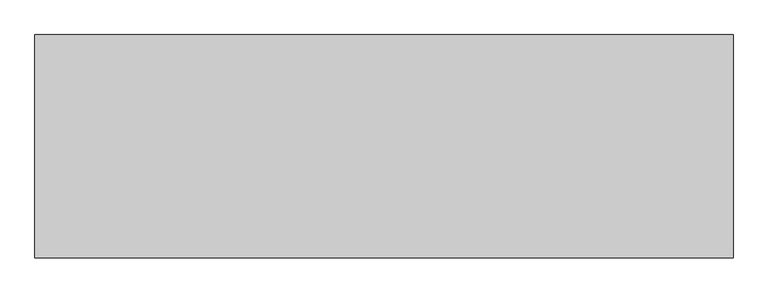
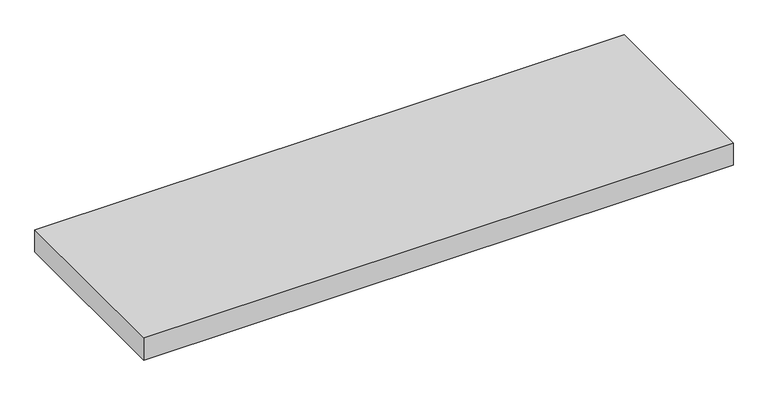
"""IFC4 building model written with IfcOpenShell, lengths in millimetres: proxy geometry."""

import ifcopenshell
import ifcopenshell.guid

model = None  # the IFC model being written
_history = None  # IfcOwnerHistory: only IFC2X3 demands one
_inside = {}  # id of a spatial element -> (the spatial element, [elements in it])
_under = {}  # id of a project, library or spatial element -> (it, [spatial elements below it])
_declared = {}  # id of a project -> (the project, [libraries it declares])
_typed = {}  # id of a type object -> (the type object, [elements of that type])
_made_of = {}  # id of a material, layer set ... -> (it, [elements and type objects made of it])


def new_model(schema):
    """Start an empty IFC model of exactly this schema.

    Asked for "IFC4X3", IfcOpenShell would pick the latest addendum, in which some entities
    have other attributes; the version numbers below select the first issue.
    IFC2X3 requires an IfcOwnerHistory on every rooted entity: one is made here for all.
    """
    global model, _history
    if schema == "IFC4X3":
        model = ifcopenshell.file(schema_version=(4, 3, 0, 0))
    else:
        model = ifcopenshell.file(schema=schema)
    _inside.clear()
    _under.clear()
    _declared.clear()
    _typed.clear()
    _made_of.clear()
    _history = None
    if model.schema == "IFC2X3":
        org = make("IfcOrganization", Name="unknown")
        user = make(
            "IfcPersonAndOrganization",
            ThePerson=make("IfcPerson", FamilyName="unknown"),
            TheOrganization=org,
        )
        app = make(
            "IfcApplication",
            ApplicationDeveloper=org,
            Version="unknown",
            ApplicationFullName="unknown",
            ApplicationIdentifier="unknown",
        )
        _history = make(
            "IfcOwnerHistory",
            OwningUser=user,
            OwningApplication=app,
            ChangeAction="ADDED",
            CreationDate=0,
        )
    return model


def make(cls, **values):
    """One entity of the class cls with the attributes given. An attribute that is None is left unset."""
    return model.create_entity(
        cls, **{name: value for name, value in values.items() if value is not None}
    )


def rooted(cls, **values):
    """An entity with a GlobalId (a new one), such as an element, a storey or a relation."""
    return make(cls, GlobalId=ifcopenshell.guid.new(), OwnerHistory=_history, **values)


def si_unit(unit_type, name, prefix=None):
    """IfcSIUnit, for example si_unit("LENGTHUNIT", "METRE", prefix="MILLI")."""
    return make("IfcSIUnit", UnitType=unit_type, Prefix=prefix, Name=name)


def assignment(units):
    """IfcUnitAssignment: the units of a project."""
    return None if units is None else make("IfcUnitAssignment", Units=units)


def point(xyz):
    """IfcCartesianPoint."""
    return None if xyz is None else make("IfcCartesianPoint", Coordinates=xyz)


def direction(xyz):
    """IfcDirection."""
    return None if xyz is None else make("IfcDirection", DirectionRatios=xyz)


def frame(location, z_axis=None, x_axis=None):
    """IfcAxis2Placement3D, a coordinate frame: its origin and axes. An axis left out is left unset."""
    return make(
        "IfcAxis2Placement3D",
        Location=point(location),
        Axis=direction(z_axis),
        RefDirection=direction(x_axis),
    )


def origin():
    """The frame at (0, 0, 0) with its axes left unset."""
    return frame((0.0, 0.0, 0.0))


def origin_with_axes():
    """The frame at (0, 0, 0) with the z axis (0, 0, 1) and the x axis (1, 0, 0) written out."""
    return frame((0.0, 0.0, 0.0), z_axis=(0.0, 0.0, 1.0), x_axis=(1.0, 0.0, 0.0))


def place(relative_to, where):
    """IfcLocalPlacement: puts the frame where relative to a parent placement (None: the world)."""
    return make(
        "IfcLocalPlacement", PlacementRelTo=relative_to, RelativePlacement=where
    )


def context(
    kind, dimensions, precision=None, world=None, true_north=None, identifier=None
):
    """IfcGeometricRepresentationContext, for example the 3D "Model" context."""
    return make(
        "IfcGeometricRepresentationContext",
        ContextIdentifier=identifier,
        ContextType=kind,
        CoordinateSpaceDimension=dimensions,
        Precision=precision,
        WorldCoordinateSystem=world,
        TrueNorth=true_north,
    )


def project(units=None, contexts=None):
    """IfcProject with its units and contexts."""
    return rooted(
        "IfcProject",
        Name="project",
        RepresentationContexts=contexts,
        UnitsInContext=assignment(units),
    )


def spatial(cls, under=None, at=None, **own):
    """A site, building, storey or space (cls), placed at a placement, below another one or the project."""
    s = rooted(cls, ObjectPlacement=at, **own)
    if under is not None:
        _under.setdefault(under.id(), (under, []))[1].append(s)
    return s


def polyline(points):
    """IfcPolyline through the points."""
    return make("IfcPolyline", Points=[point(p) for p in points])


def outline(outer, holes=None, kind="AREA"):
    """IfcArbitraryClosedProfileDef: a profile drawn as a closed curve; with holes, ...WithVoids."""
    if holes is None:
        return make("IfcArbitraryClosedProfileDef", ProfileType=kind, OuterCurve=outer)
    return make(
        "IfcArbitraryProfileDefWithVoids",
        ProfileType=kind,
        OuterCurve=outer,
        InnerCurves=holes,
    )


def extrude(swept, where, along, depth):
    """IfcExtrudedAreaSolid: the profile swept, set in the frame where, extruded along a direction by depth."""
    return make(
        "IfcExtrudedAreaSolid",
        SweptArea=swept,
        Position=where,
        ExtrudedDirection=direction(along),
        Depth=depth,
    )


def shape(context_of_items, identifier, shape_type, items):
    """IfcShapeRepresentation: the items that make up one representation, for example the "Body"."""
    return make(
        "IfcShapeRepresentation",
        ContextOfItems=context_of_items,
        RepresentationIdentifier=identifier,
        RepresentationType=shape_type,
        Items=items,
    )


def source(mapping_origin, context_of_items, identifier, shape_type, items):
    """IfcRepresentationMap: a shape defined once, which mapped items show again and again."""
    return make(
        "IfcRepresentationMap",
        MappingOrigin=mapping_origin,
        MappedRepresentation=shape(context_of_items, identifier, shape_type, items),
    )


def transform(
    local_origin,
    x_axis=None,
    y_axis=None,
    z_axis=None,
    scale=None,
    scale2=None,
    scale3=None,
    uniform=True,
):
    """IfcCartesianTransformationOperator3D, or its non-uniform kind. x_axis, y_axis, z_axis: its Axis1, 2, 3."""
    if uniform:
        return make(
            "IfcCartesianTransformationOperator3D",
            Axis1=direction(x_axis),
            Axis2=direction(y_axis),
            LocalOrigin=point(local_origin),
            Scale=scale,
            Axis3=direction(z_axis),
        )
    return make(
        "IfcCartesianTransformationOperator3DnonUniform",
        Axis1=direction(x_axis),
        Axis2=direction(y_axis),
        LocalOrigin=point(local_origin),
        Scale=scale,
        Axis3=direction(z_axis),
        Scale2=scale2,
        Scale3=scale3,
    )


def mapped(mapping_source, mapping_target):
    """IfcMappedItem: shows the shape of a source again, moved by a transform."""
    return make(
        "IfcMappedItem", MappingSource=mapping_source, MappingTarget=mapping_target
    )


def made_of(thing, what):
    """Note that an element or type object is made of a material, layer set ...; save() writes the relation."""
    if what is not None:
        _made_of.setdefault(what.id(), (what, []))[1].append(thing)
    return thing


def element(
    cls,
    number,
    at=None,
    inside=None,
    cuts=None,
    type_object=None,
    material=None,
    context=None,
    identifier="Body",
    shape_type=None,
    held_by="IfcProductDefinitionShape",
    body=None,
    shapes=None,
    **own,
):
    """One element of the class cls, such as IfcWall. Its Tag is "e" and its number.

    at: its placement. inside: the storey or other place that contains it. cuts: it is an
    opening in that element (IfcRelVoidsElement). A single representation is given by context,
    identifier, shape_type and body (its items); several are given by shapes. held_by: the class
    of the entity that holds the representations. save() writes the other relations.
    """
    e = rooted(cls, Tag="e%d" % number, ObjectPlacement=at, **own)
    if body is not None:
        shapes = [shape(context, identifier, shape_type, body)]
    if shapes is not None:
        e.Representation = make(held_by, Representations=shapes)
    if inside is not None:
        _inside.setdefault(inside.id(), (inside, []))[1].append(e)
    if cuts is not None:
        rooted(
            "IfcRelVoidsElement", RelatingBuildingElement=cuts, RelatedOpeningElement=e
        )
    if type_object is not None:
        _typed.setdefault(type_object.id(), (type_object, []))[1].append(e)
    return made_of(e, material)


def aggregate(whole, parts):
    """IfcRelAggregates: a whole, such as a stair, and the parts it consists of."""
    return rooted("IfcRelAggregates", RelatingObject=whole, RelatedObjects=parts)


def save(model, path):
    """Write the relations noted so far, then the file.

    IfcRelAggregates (storeys below a building ...), IfcRelContainedInSpatialStructure (elements
    in a storey), IfcRelDefinesByType, IfcRelAssociatesMaterial and IfcRelDeclares: one each for
    every whole, place, type object, material and project.
    """
    for whole, parts in _under.values():
        aggregate(whole, parts)
    for where, things in _inside.values():
        rooted(
            "IfcRelContainedInSpatialStructure",
            RelatedElements=things,
            RelatingStructure=where,
        )
    for kind, things in _typed.values():
        rooted("IfcRelDefinesByType", RelatedObjects=things, RelatingType=kind)
    for what, things in _made_of.values():
        rooted("IfcRelAssociatesMaterial", RelatedObjects=things, RelatingMaterial=what)
    for by, libraries in _declared.values():
        rooted("IfcRelDeclares", RelatingContext=by, RelatedDefinitions=libraries)
    model.write(path)


def generic_models_9330eea1(model_context):
    return source(origin(), model_context, "Body", "SweptSolid", [
        extrude(outline(polyline([(0.0, 400.0), (1250.0, 400.0), (1250.0, 0.0), (0.0, 0.0), (0.0, 400.0)])), origin_with_axes(), (0.0, 0.0, 1.0), 50.0),
    ])


if __name__ == "__main__":
    model = new_model("IFC4")
    model_context = context("Model", 3, world=origin())
    ifc_project = project(units=[si_unit("LENGTHUNIT", "METRE", prefix="MILLI")], contexts=[model_context])
    site = spatial("IfcSite", under=ifc_project)
    building = spatial("IfcBuilding", under=site)
    placement = place(None, origin())
    generic_models_shape = generic_models_9330eea1(model_context)
    element("IfcBuildingElementProxy", 1, Name="Generic Models", at=placement, inside=building, context=model_context, shape_type="MappedRepresentation", body=[
        mapped(generic_models_shape, transform((0.0, 0.0, 0.0), x_axis=(1.0, 0.0, 0.0), y_axis=(0.0, 1.0, 0.0), z_axis=(0.0, 0.0, 1.0))),
    ])
    save(model, "model.ifc")
